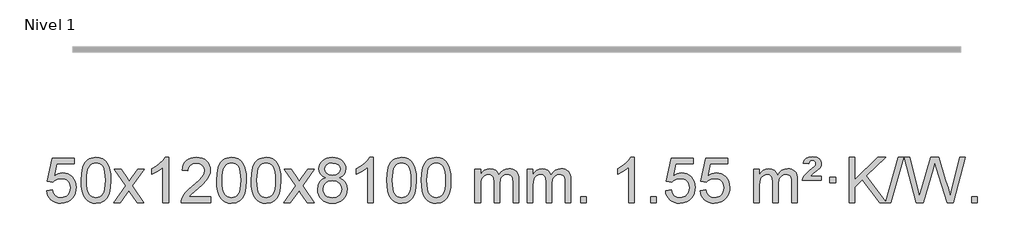
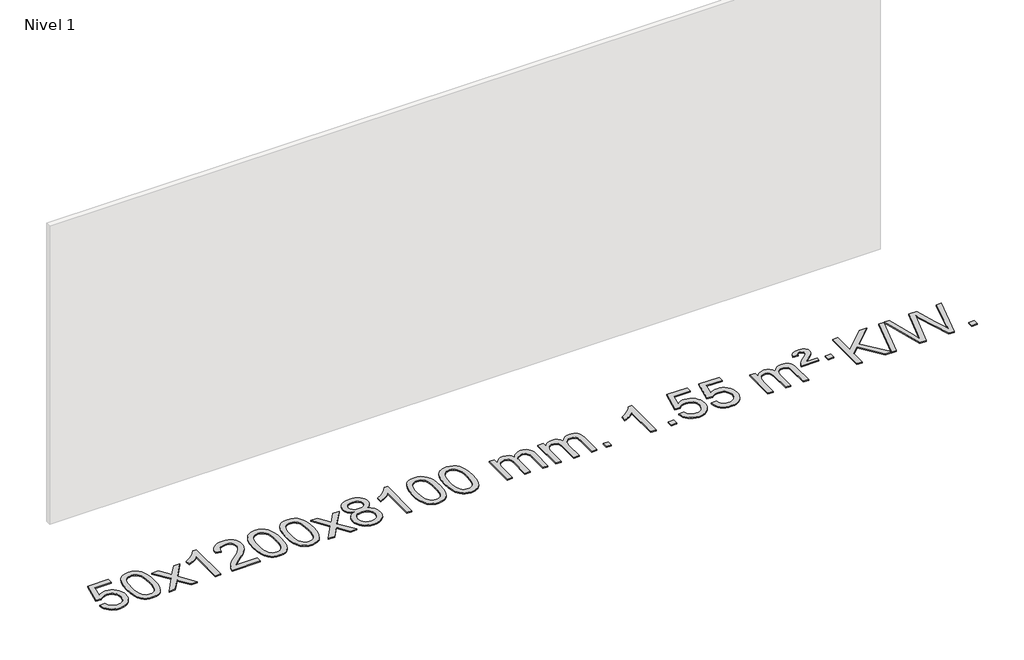
# One storey, part 9 of 9: 1 proxy.
"""IFC4 building model written with IfcOpenShell, lengths in millimetres."""

import ifcopenshell
import ifcopenshell.guid

model = None  # the IFC model being written
_history = None  # IfcOwnerHistory: only IFC2X3 demands one
_inside = {}  # id of a spatial element -> (the spatial element, [elements in it])
_under = {}  # id of a project, library or spatial element -> (it, [spatial elements below it])
_declared = {}  # id of a project -> (the project, [libraries it declares])
_typed = {}  # id of a type object -> (the type object, [elements of that type])
_made_of = {}  # id of a material, layer set ... -> (it, [elements and type objects made of it])


def new_model(schema):
    """Start an empty IFC model of exactly this schema.

    Asked for "IFC4X3", IfcOpenShell would pick the latest addendum, in which some entities
    have other attributes; the version numbers below select the first issue.
    IFC2X3 requires an IfcOwnerHistory on every rooted entity: one is made here for all.
    """
    global model, _history
    if schema == "IFC4X3":
        model = ifcopenshell.file(schema_version=(4, 3, 0, 0))
    else:
        model = ifcopenshell.file(schema=schema)
    _inside.clear()
    _under.clear()
    _declared.clear()
    _typed.clear()
    _made_of.clear()
    _history = None
    if model.schema == "IFC2X3":
        org = make("IfcOrganization", Name="unknown")
        user = make(
            "IfcPersonAndOrganization",
            ThePerson=make("IfcPerson", FamilyName="unknown"),
            TheOrganization=org,
        )
        app = make(
            "IfcApplication",
            ApplicationDeveloper=org,
            Version="unknown",
            ApplicationFullName="unknown",
            ApplicationIdentifier="unknown",
        )
        _history = make(
            "IfcOwnerHistory",
            OwningUser=user,
            OwningApplication=app,
            ChangeAction="ADDED",
            CreationDate=0,
        )
    return model


def make(cls, **values):
    """One entity of the class cls with the attributes given. An attribute that is None is left unset."""
    return model.create_entity(
        cls, **{name: value for name, value in values.items() if value is not None}
    )


def rooted(cls, **values):
    """An entity with a GlobalId (a new one), such as an element, a storey or a relation."""
    return make(cls, GlobalId=ifcopenshell.guid.new(), OwnerHistory=_history, **values)


def si_unit(unit_type, name, prefix=None):
    """IfcSIUnit, for example si_unit("LENGTHUNIT", "METRE", prefix="MILLI")."""
    return make("IfcSIUnit", UnitType=unit_type, Prefix=prefix, Name=name)


def assignment(units):
    """IfcUnitAssignment: the units of a project."""
    return None if units is None else make("IfcUnitAssignment", Units=units)


def point(xyz):
    """IfcCartesianPoint."""
    return None if xyz is None else make("IfcCartesianPoint", Coordinates=xyz)


def direction(xyz):
    """IfcDirection."""
    return None if xyz is None else make("IfcDirection", DirectionRatios=xyz)


def frame(location, z_axis=None, x_axis=None):
    """IfcAxis2Placement3D, a coordinate frame: its origin and axes. An axis left out is left unset."""
    return make(
        "IfcAxis2Placement3D",
        Location=point(location),
        Axis=direction(z_axis),
        RefDirection=direction(x_axis),
    )


def origin():
    """The frame at (0, 0, 0) with its axes left unset."""
    return frame((0.0, 0.0, 0.0))


def origin_with_axes():
    """The frame at (0, 0, 0) with the z axis (0, 0, 1) and the x axis (1, 0, 0) written out."""
    return frame((0.0, 0.0, 0.0), z_axis=(0.0, 0.0, 1.0), x_axis=(1.0, 0.0, 0.0))


def place(relative_to, where):
    """IfcLocalPlacement: puts the frame where relative to a parent placement (None: the world)."""
    return make(
        "IfcLocalPlacement", PlacementRelTo=relative_to, RelativePlacement=where
    )


def context(
    kind, dimensions, precision=None, world=None, true_north=None, identifier=None
):
    """IfcGeometricRepresentationContext, for example the 3D "Model" context."""
    return make(
        "IfcGeometricRepresentationContext",
        ContextIdentifier=identifier,
        ContextType=kind,
        CoordinateSpaceDimension=dimensions,
        Precision=precision,
        WorldCoordinateSystem=world,
        TrueNorth=true_north,
    )


def project(units=None, contexts=None):
    """IfcProject with its units and contexts."""
    return rooted(
        "IfcProject",
        Name="project",
        RepresentationContexts=contexts,
        UnitsInContext=assignment(units),
    )


def spatial(cls, under=None, at=None, **own):
    """A site, building, storey or space (cls), placed at a placement, below another one or the project."""
    s = rooted(cls, ObjectPlacement=at, **own)
    if under is not None:
        _under.setdefault(under.id(), (under, []))[1].append(s)
    return s


def polyline(points):
    """IfcPolyline through the points."""
    return make("IfcPolyline", Points=[point(p) for p in points])


def outline(outer, holes=None, kind="AREA"):
    """IfcArbitraryClosedProfileDef: a profile drawn as a closed curve; with holes, ...WithVoids."""
    if holes is None:
        return make("IfcArbitraryClosedProfileDef", ProfileType=kind, OuterCurve=outer)
    return make(
        "IfcArbitraryProfileDefWithVoids",
        ProfileType=kind,
        OuterCurve=outer,
        InnerCurves=holes,
    )


def extrude(swept, where, along, depth):
    """IfcExtrudedAreaSolid: the profile swept, set in the frame where, extruded along a direction by depth."""
    return make(
        "IfcExtrudedAreaSolid",
        SweptArea=swept,
        Position=where,
        ExtrudedDirection=direction(along),
        Depth=depth,
    )


def shape(context_of_items, identifier, shape_type, items):
    """IfcShapeRepresentation: the items that make up one representation, for example the "Body"."""
    return make(
        "IfcShapeRepresentation",
        ContextOfItems=context_of_items,
        RepresentationIdentifier=identifier,
        RepresentationType=shape_type,
        Items=items,
    )


def made_of(thing, what):
    """Note that an element or type object is made of a material, layer set ...; save() writes the relation."""
    if what is not None:
        _made_of.setdefault(what.id(), (what, []))[1].append(thing)
    return thing


def element(
    cls,
    number,
    at=None,
    inside=None,
    cuts=None,
    type_object=None,
    material=None,
    context=None,
    identifier="Body",
    shape_type=None,
    held_by="IfcProductDefinitionShape",
    body=None,
    shapes=None,
    **own,
):
    """One element of the class cls, such as IfcWall. Its Tag is "e" and its number.

    at: its placement. inside: the storey or other place that contains it. cuts: it is an
    opening in that element (IfcRelVoidsElement). A single representation is given by context,
    identifier, shape_type and body (its items); several are given by shapes. held_by: the class
    of the entity that holds the representations. save() writes the other relations.
    """
    e = rooted(cls, Tag="e%d" % number, ObjectPlacement=at, **own)
    if body is not None:
        shapes = [shape(context, identifier, shape_type, body)]
    if shapes is not None:
        e.Representation = make(held_by, Representations=shapes)
    if inside is not None:
        _inside.setdefault(inside.id(), (inside, []))[1].append(e)
    if cuts is not None:
        rooted(
            "IfcRelVoidsElement", RelatingBuildingElement=cuts, RelatedOpeningElement=e
        )
    if type_object is not None:
        _typed.setdefault(type_object.id(), (type_object, []))[1].append(e)
    return made_of(e, material)


def aggregate(whole, parts):
    """IfcRelAggregates: a whole, such as a stair, and the parts it consists of."""
    return rooted("IfcRelAggregates", RelatingObject=whole, RelatedObjects=parts)


def save(model, path):
    """Write the relations noted so far, then the file.

    IfcRelAggregates (storeys below a building ...), IfcRelContainedInSpatialStructure (elements
    in a storey), IfcRelDefinesByType, IfcRelAssociatesMaterial and IfcRelDeclares: one each for
    every whole, place, type object, material and project.
    """
    for whole, parts in _under.values():
        aggregate(whole, parts)
    for where, things in _inside.values():
        rooted(
            "IfcRelContainedInSpatialStructure",
            RelatedElements=things,
            RelatingStructure=where,
        )
    for kind, things in _typed.values():
        rooted("IfcRelDefinesByType", RelatedObjects=things, RelatingType=kind)
    for what, things in _made_of.values():
        rooted("IfcRelAssociatesMaterial", RelatedObjects=things, RelatingMaterial=what)
    for by, libraries in _declared.values():
        rooted("IfcRelDeclares", RelatingContext=by, RelatedDefinitions=libraries)
    model.write(path)


model = new_model("IFC4")

# Units and contexts
model_context = context("Model", 3, world=origin())
ifc_project = project(units=[si_unit("LENGTHUNIT", "METRE", prefix="MILLI")], contexts=[model_context])

# Site, building, storey
site = spatial("IfcSite", under=ifc_project)
building = spatial("IfcBuilding", under=site)
storey = spatial("IfcBuildingStorey", under=building, Name="Nivel 1", Elevation=0.0)

# Proxy
placement = place(None, origin())
element("IfcBuildingElementProxy", 1, Name="Texto de modelo 1", ObjectType="Texto de modelo 1", at=placement, inside=storey, context=model_context, shape_type="SweptSolid", body=[
    extrude(outline(polyline([(-617.6408852, 2719.1553765), (-567.4127301, 2725.4338959), (-558.1911548, 2695.2798351), (-542.1024489, 2673.6851619), (-519.2201888, 2660.6989275), (-489.6179509, 2656.3701827), (-470.4880871, 2657.8754332), (-453.6145663, 2662.3911847), (-438.9973884, 2669.9174372), (-426.6365533, 2680.4541906), (-416.8079727, 2693.480279), (-409.7875579, 2708.4745359), (-404.1712261, 2744.3675559), (-409.4319387, 2778.1636486), (-416.0078293, 2792.0818507), (-425.2140763, 2804.0134901), (-437.0813363, 2813.5845533), (-451.6402663, 2820.4210271), (-488.833136, 2825.8902061), (-513.1991868, 2823.7074396), (-532.9299245, 2817.1591401), (-548.6875366, 2807.1282243), (-561.1342108, 2794.4976092), (-611.3623658, 2800.7761285), (-567.4127301, 3007.9672682), (-372.7786292, 3007.9672682), (-372.7786292, 2957.7391131), (-526.7985579, 2957.7391131), (-548.2828664, 2847.080209), (-530.5570856, 2859.7844006), (-512.4021091, 2868.8588231), (-493.817937, 2874.3034766), (-474.8045692, 2876.1183612), (-450.3434822, 2873.8681496), (-427.8750894, 2867.117515), (-407.3993907, 2855.8664573), (-388.9163861, 2840.1149766), (-373.6155608, 2820.8256973), (-362.6863998, 2798.961244), (-356.1289033, 2774.5216168), (-353.9430711, 2747.5068156), (-355.9112397, 2721.4852958), (-361.8157458, 2697.2786606), (-371.6565891, 2674.8869098), (-385.4337699, 2654.3100435), (-406.3049417, 2633.2365366), (-430.6587298, 2618.1840316), (-458.4951341, 2609.1525286), (-489.8141546, 2606.1420276), (-515.7345069, 2608.0764738), (-539.1471302, 2613.8798123), (-560.0520246, 2623.552043), (-578.44919, 2637.0931662), (-593.7561467, 2653.8287312), (-605.3904148, 2673.084288), (-613.3519943, 2694.8598364), (-617.6408852, 2719.1553765)])), origin_with_axes(), (0.0, 0.0, 1.0), 10.0),
    extrude(outline(polyline([(-309.9934354, 2810.0958057), (-306.3023527, 2874.4138412), (-295.2291046, 2925.7088541), (-276.8840558, 2964.7656593), (-265.0259928, 2979.9990395), (-251.3775708, 2992.3690716), (-235.8928045, 3001.9401349), (-218.5257086, 3008.7766086), (-178.1445283, 3014.2457876), (-147.1933898, 3011.008426), (-119.4796128, 3001.2963414), (-96.3030471, 2985.4896783), (-78.9635424, 2963.9685816), (-65.8669434, 2936.9169922), (-55.4190947, 2904.5188512), (-48.5764896, 2863.3773814), (-46.2956212, 2810.0958057), (-49.9499157, 2746.1456523), (-60.9127992, 2694.9732667), (-79.1474834, 2655.8796734), (-90.9779552, 2640.6003078), (-104.6171802, 2628.1658964), (-120.1203406, 2618.5304538), (-137.5426188, 2611.6479948), (-178.1445283, 2606.1420276), (-205.8092543, 2608.5332606), (-230.3347207, 2615.7069595), (-251.7209273, 2627.6631243), (-269.9678743, 2644.4017551), (-287.4790573, 2674.6600492), (-299.9870451, 2712.3618224), (-307.4918378, 2757.5070745), (-309.9934354, 2810.0958057)]), holes=[polyline([(-259.7652803, 2810.1939076), (-258.2937523, 2766.5293805), (-253.8791684, 2731.1851178), (-246.5215285, 2704.1611196), (-236.2208326, 2685.4573858), (-223.7618957, 2672.7317344), (-209.9295327, 2663.6419835), (-194.7237436, 2658.1881329), (-178.1445283, 2656.3701827), (-161.5653131, 2658.1942643), (-146.3595239, 2663.6665089), (-132.5271609, 2672.7869167), (-120.068224, 2685.5554876), (-109.7675281, 2704.2898783), (-102.4098882, 2731.3077451), (-97.9953043, 2766.6090882), (-96.5237763, 2810.1939076), (-97.9462534, 2852.7026722), (-102.2136845, 2887.4246011), (-109.3260697, 2914.3596945), (-119.2834091, 2933.5079524), (-131.5338795, 2946.8559375), (-145.5256581, 2956.3902125), (-161.2587447, 2962.1107775), (-178.7331395, 2964.0176325), (-195.2265156, 2962.3376381), (-210.1747874, 2957.2976548), (-223.5779547, 2948.8976825), (-235.4360177, 2937.1377214), (-246.0800701, 2916.291075), (-253.6829647, 2888.1848906), (-258.2447014, 2852.8191681), (-259.7652803, 2810.1939076)])]), origin_with_axes(), (0.0, 0.0, 1.0), 10.0),
    extrude(outline(polyline([(-21.1815437, 2612.420547), (86.141897, 2760.7505675), (-14.9030243, 2907.5109581), (45.5277248, 2907.5109581), (94.2843519, 2836.877615), (117.0439846, 2803.5229808), (136.7624596, 2830.7952993), (192.2881154, 2907.5109581), (252.7188644, 2907.5109581), (146.5726461, 2760.7505675), (248.7947898, 2612.420547), (188.3640408, 2612.420547), (126.8541712, 2701.5951426), (115.5724566, 2717.8800523), (39.2492054, 2612.420547), (-21.1815437, 2612.420547)])), origin_with_axes(), (0.0, 0.0, 1.0), 10.0),
    extrude(outline(polyline([(468.5429683, 2612.420547), (418.3148132, 2612.420547), (418.3148132, 2925.5617013), (397.3455395, 2908.6023413), (370.7354085, 2891.6675068), (317.8585031, 2866.3081746), (317.8585031, 2913.7894775), (357.3077157, 2935.2492605), (391.483953, 2960.780271), (418.4251778, 2987.9299622), (436.1693527, 3014.2457876), (468.5429683, 3014.2457876), (468.5429683, 2612.420547)])), origin_with_axes(), (0.0, 0.0, 1.0), 10.0),
    extrude(outline(polyline([(845.2541313, 2662.6487021), (845.2541313, 2612.420547), (581.5563172, 2612.420547), (582.6599632, 2630.1034082), (586.9519198, 2647.0505055), (599.3372803, 2674.1143576), (617.4615999, 2700.3688693), (643.6793235, 2727.8496544), (680.3448956, 2758.5923264), (734.5461763, 2806.7358169), (767.0669446, 2842.2732176), (783.3273288, 2871.115166), (788.7474569, 2899.1722995), (783.6338971, 2924.3231653), (768.293218, 2945.2311253), (744.7119821, 2959.3210057), (714.8767523, 2964.0176325), (683.545469, 2959.4313703), (659.2039436, 2945.6725837), (643.4953825, 2923.8203932), (638.0629917, 2894.9539193), (587.8348366, 2901.2324387), (592.1543843, 2927.161988), (600.0117306, 2949.8173875), (611.4068754, 2969.1986373), (626.3398187, 2985.3057373), (644.4672041, 2997.9670093), (665.4456748, 3007.010775), (689.2752311, 3012.4370345), (715.9558728, 3014.2457876), (742.8756378, 3012.2346994), (766.8339527, 3006.2014346), (787.8308176, 2996.1459934), (805.8662324, 2982.0683758), (820.351586, 2965.0109139), (830.6982671, 2946.0159402), (836.9062757, 2925.0834547), (838.975612, 2902.2134573), (836.7437945, 2878.1907631), (830.0483422, 2854.5850017), (818.1657538, 2830.5745701), (800.3725279, 2805.3378653), (772.0088261, 2775.2083299), (728.4148097, 2736.5194067), (670.632811, 2688.204238), (647.9712801, 2662.6487021), (845.2541313, 2662.6487021)])), origin_with_axes(), (0.0, 0.0, 1.0), 10.0),
    extrude(outline(polyline([(895.4822864, 2810.0958057), (899.1733691, 2874.4138412), (910.2466172, 2925.7088541), (928.591666, 2964.7656593), (940.449729, 2979.9990395), (954.098151, 2992.3690716), (969.5829173, 3001.9401349), (986.9500131, 3008.7766086), (1027.3311935, 3014.2457876), (1058.282332, 3011.008426), (1085.996109, 3001.2963414), (1109.1726747, 2985.4896783), (1126.5121794, 2963.9685816), (1139.6087784, 2936.9169922), (1150.0566271, 2904.5188512), (1156.8992322, 2863.3773814), (1159.1801006, 2810.0958057), (1155.5258061, 2746.1456523), (1144.5629226, 2694.9732667), (1126.3282384, 2655.8796734), (1114.4977666, 2640.6003078), (1100.8585416, 2628.1658964), (1085.3553812, 2618.5304538), (1067.933103, 2611.6479948), (1027.3311935, 2606.1420276), (999.6664674, 2608.5332606), (975.1410011, 2615.7069595), (953.7547945, 2627.6631243), (935.5078475, 2644.4017551), (917.9966645, 2674.6600492), (905.4886767, 2712.3618224), (897.983884, 2757.5070745), (895.4822864, 2810.0958057)]), holes=[polyline([(945.7104415, 2810.1939076), (947.1819695, 2766.5293805), (951.5965534, 2731.1851178), (958.9541933, 2704.1611196), (969.2548892, 2685.4573858), (981.7138261, 2672.7317344), (995.5461891, 2663.6419835), (1010.7519782, 2658.1881329), (1027.3311935, 2656.3701827), (1043.9104087, 2658.1942643), (1059.1161979, 2663.6665089), (1072.9485609, 2672.7869167), (1085.4074978, 2685.5554876), (1095.7081937, 2704.2898783), (1103.0658336, 2731.3077451), (1107.4804175, 2766.6090882), (1108.9519455, 2810.1939076), (1107.5294684, 2852.7026722), (1103.2620373, 2887.4246011), (1096.1496521, 2914.3596945), (1086.1923127, 2933.5079524), (1073.9418423, 2946.8559375), (1059.9500637, 2956.3902125), (1044.2169771, 2962.1107775), (1026.7425823, 2964.0176325), (1010.2492062, 2962.3376381), (995.3009344, 2957.2976548), (981.8977671, 2948.8976825), (970.0397041, 2937.1377214), (959.3956517, 2916.291075), (951.7927571, 2888.1848906), (947.2310204, 2852.8191681), (945.7104415, 2810.1939076)])]), origin_with_axes(), (0.0, 0.0, 1.0), 10.0),
    extrude(outline(polyline([(1203.1297362, 2810.0958057), (1206.8208189, 2874.4138412), (1217.894067, 2925.7088541), (1236.2391158, 2964.7656593), (1248.0971788, 2979.9990395), (1261.7456008, 2992.3690716), (1277.2303671, 3001.9401349), (1294.597463, 3008.7766086), (1334.9786433, 3014.2457876), (1365.9297818, 3011.008426), (1393.6435588, 3001.2963414), (1416.8201245, 2985.4896783), (1434.1596292, 2963.9685816), (1447.2562282, 2936.9169922), (1457.7040769, 2904.5188512), (1464.546682, 2863.3773814), (1466.8275504, 2810.0958057), (1463.1732559, 2746.1456523), (1452.2103725, 2694.9732667), (1433.9756882, 2655.8796734), (1422.1452164, 2640.6003078), (1408.5059914, 2628.1658964), (1393.002831, 2618.5304538), (1375.5805529, 2611.6479948), (1334.9786433, 2606.1420276), (1307.3139173, 2608.5332606), (1282.7884509, 2615.7069595), (1261.4022443, 2627.6631243), (1243.1552973, 2644.4017551), (1225.6441144, 2674.6600492), (1213.1361265, 2712.3618224), (1205.6313338, 2757.5070745), (1203.1297362, 2810.0958057)]), holes=[polyline([(1253.3578913, 2810.1939076), (1254.8294193, 2766.5293805), (1259.2440032, 2731.1851178), (1266.6016432, 2704.1611196), (1276.902339, 2685.4573858), (1289.3612759, 2672.7317344), (1303.1936389, 2663.6419835), (1318.3994281, 2658.1881329), (1334.9786433, 2656.3701827), (1351.5578586, 2658.1942643), (1366.7636477, 2663.6665089), (1380.5960107, 2672.7869167), (1393.0549476, 2685.5554876), (1403.3556435, 2704.2898783), (1410.7132834, 2731.3077451), (1415.1278673, 2766.6090882), (1416.5993953, 2810.1939076), (1415.1769183, 2852.7026722), (1410.9094871, 2887.4246011), (1403.7971019, 2914.3596945), (1393.8397625, 2933.5079524), (1381.5892921, 2946.8559375), (1367.5975136, 2956.3902125), (1351.8644269, 2962.1107775), (1334.3900321, 2964.0176325), (1317.896656, 2962.3376381), (1302.9483843, 2957.2976548), (1289.5452169, 2948.8976825), (1277.6871539, 2937.1377214), (1267.0431015, 2916.291075), (1259.440207, 2888.1848906), (1254.8784702, 2852.8191681), (1253.3578913, 2810.1939076)])]), origin_with_axes(), (0.0, 0.0, 1.0), 10.0),
    extrude(outline(polyline([(1491.9416279, 2612.420547), (1599.2650687, 2760.7505675), (1498.2201473, 2907.5109581), (1558.6508964, 2907.5109581), (1607.4075235, 2836.877615), (1630.1671563, 2803.5229808), (1649.8856312, 2830.7952993), (1705.411287, 2907.5109581), (1765.8420361, 2907.5109581), (1659.6958177, 2760.7505675), (1761.9179615, 2612.420547), (1701.4872124, 2612.420547), (1639.9773428, 2701.5951426), (1628.6956283, 2717.8800523), (1552.372377, 2612.420547), (1491.9416279, 2612.420547)])), origin_with_axes(), (0.0, 0.0, 1.0), 10.0),
    extrude(outline(polyline([(1866.49455, 2833.7383553), (1839.6023761, 2846.9821071), (1820.7300298, 2864.9347485), (1809.5832053, 2887.2283974), (1805.8675971, 2913.4951719), (1807.8909481, 2933.9800676), (1813.961001, 2952.7604435), (1824.0777559, 2969.8362994), (1838.2412127, 2985.2076355), (1855.7707898, 2997.911827), (1875.9859054, 3006.9862496), (1898.8865596, 3012.4309031), (1924.4727524, 3014.2457876), (1950.1815725, 3012.3879835), (1973.253905, 3006.8145713), (1993.6897498, 2997.5255509), (2011.489107, 2984.5209224), (2025.9100812, 2968.8491494), (2036.2107771, 2951.5586956), (2042.3911946, 2932.6495611), (2044.4513338, 2912.1217457), (2040.7847765, 2886.7010999), (2029.7851049, 2864.7875957), (2011.3296915, 2846.9453189), (1985.2959089, 2833.7383553), (2016.2102593, 2817.8090649), (2038.7123746, 2794.3504564), (2052.434373, 2764.4907011), (2057.0083725, 2729.3579705), (2054.7397669, 2704.3052067), (2047.93395, 2681.3371074), (2036.5909218, 2660.4536728), (2020.7106823, 2641.6549029), (2001.1270975, 2626.11802), (1978.674033, 2615.0202464), (1953.351489, 2608.3615823), (1925.1594654, 2606.1420276), (1896.9674419, 2608.3707794), (1871.6448979, 2615.0570346), (1849.1918334, 2626.2007934), (1829.6082486, 2641.8020557), (1813.7280091, 2660.73265), (1802.3849809, 2681.864405), (1795.579164, 2705.1973205), (1793.3105584, 2730.7313967), (1798.0684988, 2767.2252906), (1812.3423203, 2797.2444614), (1835.3962586, 2819.7588395), (1866.49455, 2833.7383553)]), holes=[polyline([(1843.5387135, 2732.4972302), (1845.6356408, 2713.2815274), (1851.9264229, 2694.6789611), (1863.5392313, 2678.4553651), (1881.6022372, 2666.376573), (1903.2336985, 2658.8717803), (1925.5518729, 2656.3701827), (1959.740373, 2661.6308952), (1973.6340497, 2668.2067859), (1985.3940108, 2677.4130328), (2001.4336658, 2701.3130998), (2006.7802174, 2730.9276004), (2001.2619875, 2761.0448731), (1984.7072977, 2785.4722375), (1972.6285056, 2794.9145421), (1958.4650487, 2801.6590453), (1923.8841412, 2807.0546479), (1890.1738877, 2801.7326217), (1876.4365609, 2795.080089), (1864.7777673, 2785.7665431), (1848.8484769, 2761.8051625), (1843.5387135, 2732.4972302)]), polyline([(1856.0957522, 2912.0236439), (1860.5471244, 2890.097877), (1873.9012408, 2872.586694), (1895.765694, 2861.1087757), (1925.7480766, 2857.282803), (1955.0314835, 2861.0842503), (1976.5648429, 2872.4885921), (1989.8085947, 2889.4111639), (1994.2231787, 2909.767301), (1989.6614419, 2930.8959902), (1975.9762317, 2948.370385), (1954.1485667, 2960.1058206), (1925.1594654, 2964.0176325), (1895.9864232, 2960.1916598), (1874.1955464, 2948.7137415), (1860.6207008, 2931.8892716), (1856.0957522, 2912.0236439)])]), origin_with_axes(), (0.0, 0.0, 1.0), 10.0),
    extrude(outline(polyline([(2289.3135897, 2612.420547), (2239.0854347, 2612.420547), (2239.0854347, 2925.5617013), (2218.1161609, 2908.6023413), (2191.50603, 2891.6675068), (2138.6291245, 2866.3081746), (2138.6291245, 2913.7894775), (2178.0783371, 2935.2492605), (2212.2545745, 2960.780271), (2239.1957993, 2987.9299622), (2256.9399742, 3014.2457876), (2289.3135897, 3014.2457876), (2289.3135897, 2612.420547)])), origin_with_axes(), (0.0, 0.0, 1.0), 10.0),
    extrude(outline(polyline([(2408.605458, 2810.0958057), (2412.2965407, 2874.4138412), (2423.3697888, 2925.7088541), (2441.7148376, 2964.7656593), (2453.5729006, 2979.9990395), (2467.2213226, 2992.3690716), (2482.7060889, 3001.9401349), (2500.0731848, 3008.7766086), (2540.4543651, 3014.2457876), (2571.4055036, 3011.008426), (2599.1192806, 3001.2963414), (2622.2958463, 2985.4896783), (2639.635351, 2963.9685816), (2652.73195, 2936.9169922), (2663.1797987, 2904.5188512), (2670.0224038, 2863.3773814), (2672.3032722, 2810.0958057), (2668.6489777, 2746.1456523), (2657.6860942, 2694.9732667), (2639.45141, 2655.8796734), (2627.6209382, 2640.6003078), (2613.9817132, 2628.1658964), (2598.4785528, 2618.5304538), (2581.0562747, 2611.6479948), (2540.4543651, 2606.1420276), (2512.7896391, 2608.5332606), (2488.2641727, 2615.7069595), (2466.8779661, 2627.6631243), (2448.6310191, 2644.4017551), (2431.1198361, 2674.6600492), (2418.6118483, 2712.3618224), (2411.1070556, 2757.5070745), (2408.605458, 2810.0958057)]), holes=[polyline([(2458.8336131, 2810.1939076), (2460.3051411, 2766.5293805), (2464.719725, 2731.1851178), (2472.0773649, 2704.1611196), (2482.3780608, 2685.4573858), (2494.8369977, 2672.7317344), (2508.6693607, 2663.6419835), (2523.8751499, 2658.1881329), (2540.4543651, 2656.3701827), (2557.0335804, 2658.1942643), (2572.2393695, 2663.6665089), (2586.0717325, 2672.7869167), (2598.5306694, 2685.5554876), (2608.8313653, 2704.2898783), (2616.1890052, 2731.3077451), (2620.6035891, 2766.6090882), (2622.0751171, 2810.1939076), (2620.6526401, 2852.7026722), (2616.3852089, 2887.4246011), (2609.2728237, 2914.3596945), (2599.3154843, 2933.5079524), (2587.0650139, 2946.8559375), (2573.0732354, 2956.3902125), (2557.3401487, 2962.1107775), (2539.8657539, 2964.0176325), (2523.3723778, 2962.3376381), (2508.4241061, 2957.2976548), (2495.0209387, 2948.8976825), (2483.1628757, 2937.1377214), (2472.5188233, 2916.291075), (2464.9159288, 2888.1848906), (2460.354192, 2852.8191681), (2458.8336131, 2810.1939076)])]), origin_with_axes(), (0.0, 0.0, 1.0), 10.0),
    extrude(outline(polyline([(2716.2529079, 2810.0958057), (2719.9439906, 2874.4138412), (2731.0172386, 2925.7088541), (2749.3622874, 2964.7656593), (2761.2203504, 2979.9990395), (2774.8687724, 2992.3690716), (2790.3535388, 3001.9401349), (2807.7206346, 3008.7766086), (2848.1018149, 3014.2457876), (2879.0529535, 3011.008426), (2906.7667304, 3001.2963414), (2929.9432961, 2985.4896783), (2947.2828008, 2963.9685816), (2960.3793999, 2936.9169922), (2970.8272485, 2904.5188512), (2977.6698537, 2863.3773814), (2979.950722, 2810.0958057), (2976.2964275, 2746.1456523), (2965.3335441, 2694.9732667), (2947.0988599, 2655.8796734), (2935.268388, 2640.6003078), (2921.6291631, 2628.1658964), (2906.1260026, 2618.5304538), (2888.7037245, 2611.6479948), (2848.1018149, 2606.1420276), (2820.4370889, 2608.5332606), (2795.9116226, 2615.7069595), (2774.5254159, 2627.6631243), (2756.278469, 2644.4017551), (2738.767286, 2674.6600492), (2726.2592981, 2712.3618224), (2718.7545054, 2757.5070745), (2716.2529079, 2810.0958057)]), holes=[polyline([(2766.481063, 2810.1939076), (2767.9525909, 2766.5293805), (2772.3671749, 2731.1851178), (2779.7248148, 2704.1611196), (2790.0255106, 2685.4573858), (2802.4844475, 2672.7317344), (2816.3168106, 2663.6419835), (2831.5225997, 2658.1881329), (2848.1018149, 2656.3701827), (2864.6810302, 2658.1942643), (2879.8868193, 2663.6665089), (2893.7191824, 2672.7869167), (2906.1781193, 2685.5554876), (2916.4788151, 2704.2898783), (2923.836455, 2731.3077451), (2928.251039, 2766.6090882), (2929.7225669, 2810.1939076), (2928.3000899, 2852.7026722), (2924.0326588, 2887.4246011), (2916.9202735, 2914.3596945), (2906.9629342, 2933.5079524), (2894.7124637, 2946.8559375), (2880.7206852, 2956.3902125), (2864.9875985, 2962.1107775), (2847.5132038, 2964.0176325), (2831.0198276, 2962.3376381), (2816.0715559, 2957.2976548), (2802.6683885, 2948.8976825), (2790.8103256, 2937.1377214), (2780.1662732, 2916.291075), (2772.5633786, 2888.1848906), (2768.0016419, 2852.8191681), (2766.481063, 2810.1939076)])]), origin_with_axes(), (0.0, 0.0, 1.0), 10.0),
    extrude(outline(polyline([(3193.4203811, 2612.420547), (3193.4203811, 2907.5109581), (3243.6485362, 2907.5109581), (3243.6485362, 2858.9505347), (3258.7562234, 2881.2564463), (3278.1803928, 2898.7308411), (3301.2588566, 2910.0248184), (3327.3294273, 2913.7894775), (3355.2639335, 2909.951242), (3377.6556843, 2898.4365355), (3394.3820523, 2880.0056476), (3405.3204103, 2855.4188676), (3423.6286709, 2880.9560094), (3444.5121055, 2899.196825), (3467.9707141, 2910.1413143), (3494.0044966, 2913.7894775), (3514.1123133, 2912.2719642), (3531.7614521, 2907.7194245), (3546.9519128, 2900.1318584), (3559.6836955, 2889.5092658), (3569.7483337, 2875.7290194), (3576.9373611, 2858.6684918), (3581.2507775, 2838.3276832), (3582.6885829, 2814.7065934), (3582.6885829, 2612.420547), (3532.4604278, 2612.420547), (3532.4604278, 2793.124183), (3531.2954682, 2818.1769469), (3527.8005892, 2835.0627305), (3521.2522897, 2846.6264879), (3510.9270684, 2855.7131732), (3497.6465284, 2861.5992851), (3482.2322728, 2863.5613224), (3455.0212679, 2858.5336018), (3432.8379835, 2843.45044), (3424.2326105, 2831.8805512), (3418.0859155, 2817.2817674), (3413.1685595, 2778.9975144), (3413.1685595, 2612.420547), (3362.9404045, 2612.420547), (3362.9404045, 2798.7159894), (3360.0341367, 2827.1164794), (3351.3153334, 2847.3745146), (3335.9746542, 2859.5146204), (3313.2027587, 2863.5613224), (3293.8521658, 2860.8635211), (3276.0221517, 2852.7701172), (3261.3068719, 2839.4773144), (3251.3004817, 2821.1813165), (3245.5615225, 2795.7974589), (3243.6485362, 2761.2410768), (3243.6485362, 2612.420547), (3193.4203811, 2612.420547)])), origin_with_axes(), (0.0, 0.0, 1.0), 10.0),
    extrude(outline(polyline([(3658.0308155, 2612.420547), (3658.0308155, 2907.5109581), (3708.2589706, 2907.5109581), (3708.2589706, 2858.9505347), (3723.3666579, 2881.2564463), (3742.7908272, 2898.7308411), (3765.869291, 2910.0248184), (3791.9398618, 2913.7894775), (3819.8743679, 2909.951242), (3842.2661187, 2898.4365355), (3858.9924868, 2880.0056476), (3869.9308448, 2855.4188676), (3888.2391054, 2880.9560094), (3909.12254, 2899.196825), (3932.5811485, 2910.1413143), (3958.6149311, 2913.7894775), (3978.7227478, 2912.2719642), (3996.3718865, 2907.7194245), (4011.5623472, 2900.1318584), (4024.2941299, 2889.5092658), (4034.3587682, 2875.7290194), (4041.5477955, 2858.6684918), (4045.8612119, 2838.3276832), (4047.2990174, 2814.7065934), (4047.2990174, 2612.420547), (3997.0708623, 2612.420547), (3997.0708623, 2793.124183), (3995.9059026, 2818.1769469), (3992.4110237, 2835.0627305), (3985.8627242, 2846.6264879), (3975.5375028, 2855.7131732), (3962.2569628, 2861.5992851), (3946.8427072, 2863.5613224), (3919.6317023, 2858.5336018), (3897.448418, 2843.45044), (3888.843045, 2831.8805512), (3882.69635, 2817.2817674), (3877.778994, 2778.9975144), (3877.778994, 2612.420547), (3827.5508389, 2612.420547), (3827.5508389, 2798.7159894), (3824.6445711, 2827.1164794), (3815.9257679, 2847.3745146), (3800.5850887, 2859.5146204), (3777.8131932, 2863.5613224), (3758.4626002, 2860.8635211), (3740.6325862, 2852.7701172), (3725.9173064, 2839.4773144), (3715.9109161, 2821.1813165), (3710.171957, 2795.7974589), (3708.2589706, 2761.2410768), (3708.2589706, 2612.420547), (3658.0308155, 2612.420547)])), origin_with_axes(), (0.0, 0.0, 1.0), 10.0),
    extrude(outline(polyline([(4135.1982887, 2612.420547), (4135.1982887, 2662.6487021), (4185.4264438, 2662.6487021), (4185.4264438, 2612.420547), (4135.1982887, 2612.420547)])), origin_with_axes(), (0.0, 0.0, 1.0), 10.0),
    extrude(outline(polyline([(4612.365762, 2612.420547), (4562.1376069, 2612.420547), (4562.1376069, 2925.5617013), (4541.1683332, 2908.6023413), (4514.5582022, 2891.6675068), (4461.6812967, 2866.3081746), (4461.6812967, 2913.7894775), (4501.1305093, 2935.2492605), (4535.3067467, 2960.780271), (4562.2479715, 2987.9299622), (4579.9921464, 3014.2457876), (4612.365762, 3014.2457876), (4612.365762, 2612.420547)])), origin_with_axes(), (0.0, 0.0, 1.0), 10.0),
    extrude(outline(polyline([(4756.7717078, 2612.420547), (4756.7717078, 2662.6487021), (4806.9998629, 2662.6487021), (4806.9998629, 2612.420547), (4756.7717078, 2612.420547)])), origin_with_axes(), (0.0, 0.0, 1.0), 10.0),
    extrude(outline(polyline([(4888.6206149, 2719.1553765), (4938.8487699, 2725.4338959), (4948.0703453, 2695.2798351), (4964.1590512, 2673.6851619), (4987.0413113, 2660.6989275), (5016.6435492, 2656.3701827), (5035.7734129, 2657.8754332), (5052.6469338, 2662.3911847), (5067.2641117, 2669.9174372), (5079.6249468, 2680.4541906), (5089.4535274, 2693.480279), (5096.4739421, 2708.4745359), (5102.0902739, 2744.3675559), (5096.8295614, 2778.1636486), (5090.2536707, 2792.0818507), (5081.0474238, 2804.0134901), (5069.1801638, 2813.5845533), (5054.6212338, 2820.4210271), (5017.4283641, 2825.8902061), (4993.0623133, 2823.7074396), (4973.3315756, 2817.1591401), (4957.5739635, 2807.1282243), (4945.1272893, 2794.4976092), (4894.8991342, 2800.7761285), (4938.8487699, 3007.9672682), (5133.4828709, 3007.9672682), (5133.4828709, 2957.7391131), (4979.4629422, 2957.7391131), (4957.9786337, 2847.080209), (4975.7044145, 2859.7844006), (4993.8593909, 2868.8588231), (5012.4435631, 2874.3034766), (5031.4569309, 2876.1183612), (5055.9180179, 2873.8681496), (5078.3864107, 2867.117515), (5098.8621094, 2855.8664573), (5117.345114, 2840.1149766), (5132.6459393, 2820.8256973), (5143.5751003, 2798.961244), (5150.1325968, 2774.5216168), (5152.318429, 2747.5068156), (5150.3502603, 2721.4852958), (5144.4457543, 2697.2786606), (5134.6049109, 2674.8869098), (5120.8277302, 2654.3100435), (5099.9565584, 2633.2365366), (5075.6027703, 2618.1840316), (5047.766366, 2609.1525286), (5016.4473455, 2606.1420276), (4990.5269932, 2608.0764738), (4967.1143699, 2613.8798123), (4946.2094755, 2623.552043), (4927.8123101, 2637.0931662), (4912.5053534, 2653.8287312), (4900.8710853, 2673.084288), (4892.9095058, 2694.8598364), (4888.6206149, 2719.1553765)])), origin_with_axes(), (0.0, 0.0, 1.0), 10.0),
    extrude(outline(polyline([(5196.2680647, 2719.1553765), (5246.4962198, 2725.4338959), (5255.7177951, 2695.2798351), (5271.806501, 2673.6851619), (5294.6887611, 2660.6989275), (5324.290999, 2656.3701827), (5343.4208628, 2657.8754332), (5360.2943836, 2662.3911847), (5374.9115616, 2669.9174372), (5387.2723966, 2680.4541906), (5397.1009772, 2693.480279), (5404.121392, 2708.4745359), (5409.7377238, 2744.3675559), (5404.4770112, 2778.1636486), (5397.9011206, 2792.0818507), (5388.6948736, 2804.0134901), (5376.8276136, 2813.5845533), (5362.2686837, 2820.4210271), (5325.0758139, 2825.8902061), (5300.7097631, 2823.7074396), (5280.9790255, 2817.1591401), (5265.2214133, 2807.1282243), (5252.7747392, 2794.4976092), (5202.5465841, 2800.7761285), (5246.4962198, 3007.9672682), (5441.1303207, 3007.9672682), (5441.1303207, 2957.7391131), (5287.110392, 2957.7391131), (5265.6260835, 2847.080209), (5283.3518643, 2859.7844006), (5301.5068408, 2868.8588231), (5320.0910129, 2874.3034766), (5339.1043807, 2876.1183612), (5363.5654677, 2873.8681496), (5386.0338605, 2867.117515), (5406.5095593, 2855.8664573), (5424.9925638, 2840.1149766), (5440.2933891, 2820.8256973), (5451.2225501, 2798.961244), (5457.7800467, 2774.5216168), (5459.9658788, 2747.5068156), (5457.9977102, 2721.4852958), (5452.0932041, 2697.2786606), (5442.2523608, 2674.8869098), (5428.4751801, 2654.3100435), (5407.6040082, 2633.2365366), (5383.2502201, 2618.1840316), (5355.4138158, 2609.1525286), (5324.0947953, 2606.1420276), (5298.174443, 2608.0764738), (5274.7618197, 2613.8798123), (5253.8569254, 2623.552043), (5235.4597599, 2637.0931662), (5220.1528032, 2653.8287312), (5208.5185351, 2673.084288), (5200.5569556, 2694.8598364), (5196.2680647, 2719.1553765)])), origin_with_axes(), (0.0, 0.0, 1.0), 10.0),
    extrude(outline(polyline([(5673.4355379, 2612.420547), (5673.4355379, 2907.5109581), (5723.663693, 2907.5109581), (5723.663693, 2858.9505347), (5738.7713803, 2881.2564463), (5758.1955496, 2898.7308411), (5781.2740134, 2910.0248184), (5807.3445842, 2913.7894775), (5835.2790903, 2909.951242), (5857.6708411, 2898.4365355), (5874.3972091, 2880.0056476), (5885.3355671, 2855.4188676), (5903.6438278, 2880.9560094), (5924.5272623, 2899.196825), (5947.9858709, 2910.1413143), (5974.0196534, 2913.7894775), (5994.1274702, 2912.2719642), (6011.7766089, 2907.7194245), (6026.9670696, 2900.1318584), (6039.6988523, 2889.5092658), (6049.7634906, 2875.7290194), (6056.9525179, 2858.6684918), (6061.2659343, 2838.3276832), (6062.7037397, 2814.7065934), (6062.7037397, 2612.420547), (6012.4755847, 2612.420547), (6012.4755847, 2793.124183), (6011.310625, 2818.1769469), (6007.8157461, 2835.0627305), (6001.2674465, 2846.6264879), (5990.9422252, 2855.7131732), (5977.6616852, 2861.5992851), (5962.2474296, 2863.5613224), (5935.0364247, 2858.5336018), (5912.8531404, 2843.45044), (5904.2477674, 2831.8805512), (5898.1010724, 2817.2817674), (5893.1837164, 2778.9975144), (5893.1837164, 2612.420547), (5842.9555613, 2612.420547), (5842.9555613, 2798.7159894), (5840.0492935, 2827.1164794), (5831.3304902, 2847.3745146), (5815.989811, 2859.5146204), (5793.2179155, 2863.5613224), (5773.8673226, 2860.8635211), (5756.0373086, 2852.7701172), (5741.3220287, 2839.4773144), (5731.3156385, 2821.1813165), (5725.5766794, 2795.7974589), (5723.663693, 2761.2410768), (5723.663693, 2612.420547), (5673.4355379, 2612.420547)])), origin_with_axes(), (0.0, 0.0, 1.0), 10.0),
    extrude(outline(polyline([(6106.6533754, 2813.3331673), (6110.4793482, 2829.1520931), (6118.8180067, 2845.0200698), (6140.3268407, 2870.1586728), (6172.2835234, 2897.8969753), (6216.4293628, 2935.273786), (6223.5662735, 2946.8007552), (6225.9452437, 2958.6220299), (6224.0567828, 2970.7130848), (6218.3914001, 2980.4987459), (6209.022672, 2986.973469), (6196.0241748, 2989.1317101), (6183.5897634, 2987.5130293), (6174.73607, 2982.656987), (6168.3103978, 2973.1901569), (6163.1600499, 2957.7391131), (6112.9318948, 2964.0176325), (6123.7721509, 2989.2298119), (6140.4004171, 3006.7900458), (6164.165594, 3017.0907417), (6196.4165822, 3020.524307), (6232.1992376, 3016.3917659), (6256.9454332, 3003.9941427), (6271.3664074, 2985.6613566), (6276.1733988, 2963.7233269), (6272.0776459, 2940.8165414), (6259.7903873, 2919.1850801), (6239.262572, 2899.3685032), (6202.7932035, 2871.3113697), (6177.1886166, 2844.7257642), (6276.1733988, 2844.7257642), (6276.1733988, 2813.3331673), (6106.6533754, 2813.3331673)])), origin_with_axes(), (0.0, 0.0, 1.0), 10.0),
    extrude(outline(polyline([(6351.5156314, 2788.2190898), (6351.5156314, 2838.4472448), (6401.7437865, 2838.4472448), (6401.7437865, 2788.2190898), (6351.5156314, 2788.2190898)])), origin_with_axes(), (0.0, 0.0, 1.0), 10.0),
    extrude(outline(polyline([(6792.3854144, 2612.420547), (6638.954097, 2815.0990009), (6571.2638099, 2750.5479735), (6571.2638099, 2612.420547), (6521.0356548, 2612.420547), (6521.0356548, 3014.2457876), (6571.2638099, 3014.2457876), (6571.2638099, 2817.5515475), (6777.2777272, 3014.2457876), (6847.5186628, 3014.2457876), (6674.5650741, 2849.0422463), (6849.218684, 2618.4650668), (6960.5320117, 3014.2457876), (7005.8550735, 3014.2457876), (6892.8417246, 2612.420547), (6853.7971822, 2612.420547), (6847.5186628, 2612.420547), (6792.3854144, 2612.420547)])), origin_with_axes(), (0.0, 0.0, 1.0), 10.0),
    extrude(outline(polyline([(7120.3399504, 2612.420547), (7010.7601668, 3014.2457876), (7062.5579517, 3014.2457876), (7126.1279605, 2750.155566), (7145.7483335, 2668.6329159), (7166.7421327, 2740.7377869), (7246.4008474, 3014.2457876), (7321.056367, 3014.2457876), (7378.9364675, 2815.9819177), (7403.731714, 2742.4055186), (7422.0031864, 2668.6329159), (7441.0349483, 2747.8011212), (7505.1935683, 3014.2457876), (7556.9913532, 3014.2457876), (7447.3134677, 2612.420547), (7393.6517474, 2612.420547), (7297.3157155, 2922.4224416), (7283.87576, 2965.6853642), (7268.7680727, 2913.5932737), (7180.9669032, 2612.420547), (7120.3399504, 2612.420547)])), origin_with_axes(), (0.0, 0.0, 1.0), 10.0),
    extrude(outline(polyline([(7613.4980277, 2612.420547), (7613.4980277, 2662.6487021), (7663.7261827, 2662.6487021), (7663.7261827, 2612.420547), (7613.4980277, 2612.420547)])), origin_with_axes(), (0.0, 0.0, 1.0), 10.0),
])

save(model, "model.ifc")
